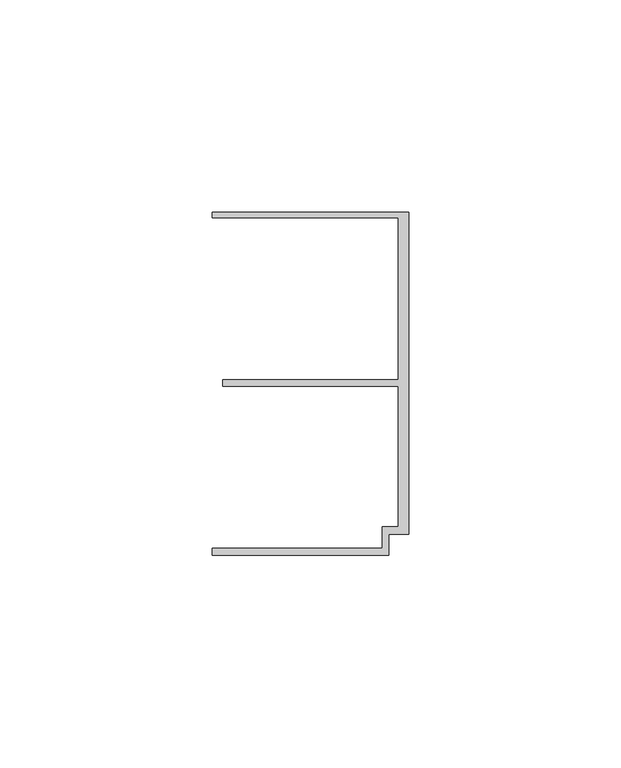
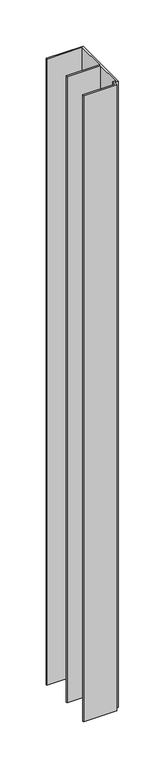
"""IFC4 building model written with IfcOpenShell, lengths in millimetres: member geometry."""

from ifc_helpers import new_model, si_unit, frame, origin, place, context, project, spatial, polyline, outline, extrude, source, transform, mapped, element, save


def member_365e86a5(model_context):
    return source(origin(), model_context, "Body", "SweptSolid", [
        extrude(outline(polyline([(-6.2, -33.95), (-2.4, -33.95), (-2.4, -0.75), (-43.8, -0.75), (-43.8, 0.75), (-2.4, 0.75), (-2.4, 38.95), (-46.3, 38.95), (-46.3, 40.25), (0.0, 40.25), (0.0, -35.75), (-4.6999992, -35.75), (-4.6999992, -40.65), (-46.3, -40.65), (-46.3, -38.95), (-6.2, -38.95), (-6.2, -33.95)])), frame((0.0, 0.0, -827.6602632), z_axis=(0.0, 0.0, 1.0), x_axis=(1.0, 0.0, 0.0)), (0.0, 0.0, 1.0), 827.6602632),
    ])


if __name__ == "__main__":
    model = new_model("IFC4")
    model_context = context("Model", 3, world=origin())
    ifc_project = project(units=[si_unit("LENGTHUNIT", "METRE", prefix="MILLI")], contexts=[model_context])
    site = spatial("IfcSite", under=ifc_project)
    building = spatial("IfcBuilding", under=site)
    placement = place(None, origin())
    member_shape = member_365e86a5(model_context)
    element("IfcMember", 1, at=placement, inside=building, context=model_context, shape_type="MappedRepresentation", body=[
        mapped(member_shape, transform((0.0, 0.0, 0.0), x_axis=(1.0, 0.0, 0.0), y_axis=(0.0, 1.0, 0.0), z_axis=(0.0, 0.0, 1.0))),
    ])
    save(model, "model.ifc")
